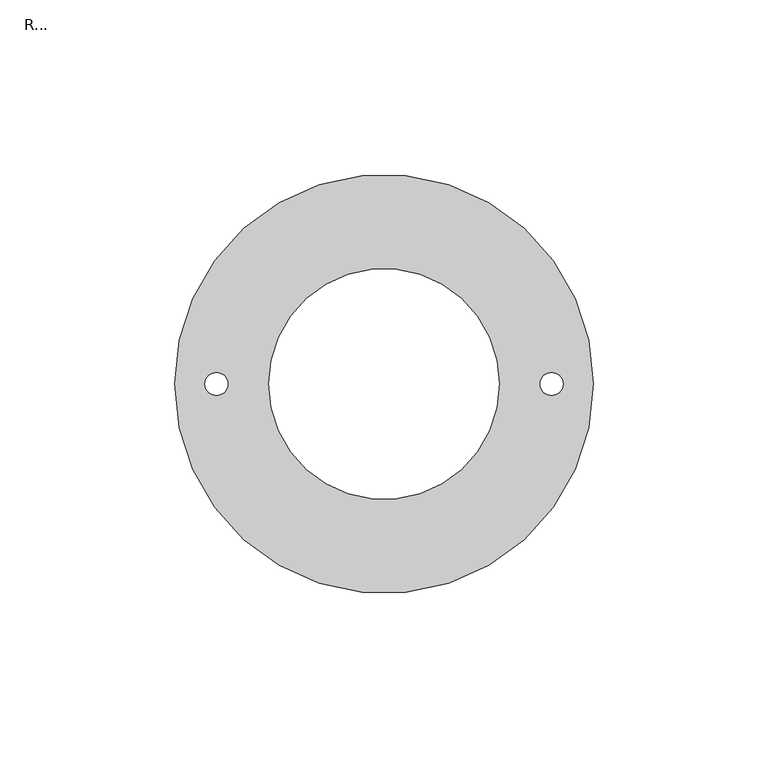
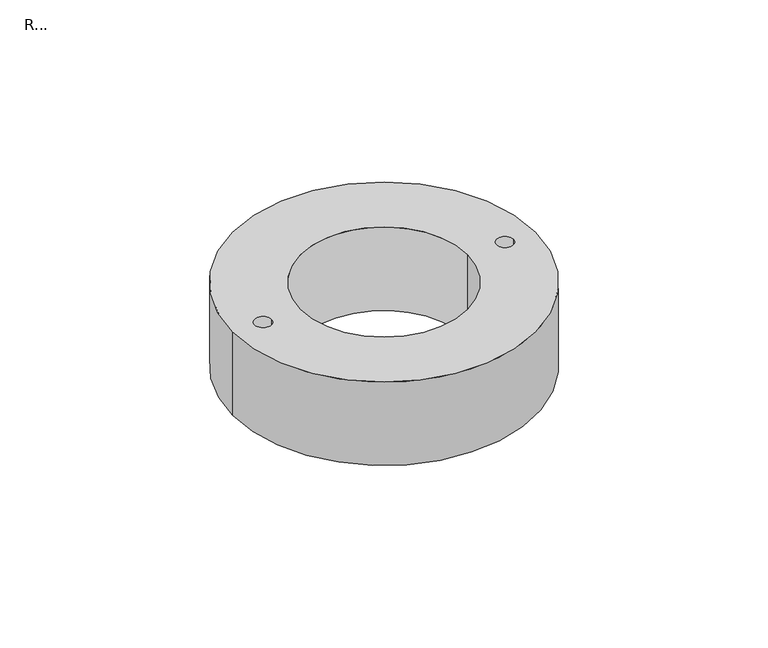
"""IFC4 building model written with IfcOpenShell, lengths in millimetres: proxy geometry, R...."""

import ifcopenshell
import ifcopenshell.guid

model = None  # the IFC model being written
_history = None  # IfcOwnerHistory: only IFC2X3 demands one
_inside = {}  # id of a spatial element -> (the spatial element, [elements in it])
_under = {}  # id of a project, library or spatial element -> (it, [spatial elements below it])
_declared = {}  # id of a project -> (the project, [libraries it declares])
_typed = {}  # id of a type object -> (the type object, [elements of that type])
_made_of = {}  # id of a material, layer set ... -> (it, [elements and type objects made of it])


def new_model(schema):
    """Start an empty IFC model of exactly this schema.

    Asked for "IFC4X3", IfcOpenShell would pick the latest addendum, in which some entities
    have other attributes; the version numbers below select the first issue.
    IFC2X3 requires an IfcOwnerHistory on every rooted entity: one is made here for all.
    """
    global model, _history
    if schema == "IFC4X3":
        model = ifcopenshell.file(schema_version=(4, 3, 0, 0))
    else:
        model = ifcopenshell.file(schema=schema)
    _inside.clear()
    _under.clear()
    _declared.clear()
    _typed.clear()
    _made_of.clear()
    _history = None
    if model.schema == "IFC2X3":
        org = make("IfcOrganization", Name="unknown")
        user = make(
            "IfcPersonAndOrganization",
            ThePerson=make("IfcPerson", FamilyName="unknown"),
            TheOrganization=org,
        )
        app = make(
            "IfcApplication",
            ApplicationDeveloper=org,
            Version="unknown",
            ApplicationFullName="unknown",
            ApplicationIdentifier="unknown",
        )
        _history = make(
            "IfcOwnerHistory",
            OwningUser=user,
            OwningApplication=app,
            ChangeAction="ADDED",
            CreationDate=0,
        )
    return model


def make(cls, **values):
    """One entity of the class cls with the attributes given. An attribute that is None is left unset."""
    return model.create_entity(
        cls, **{name: value for name, value in values.items() if value is not None}
    )


def rooted(cls, **values):
    """An entity with a GlobalId (a new one), such as an element, a storey or a relation."""
    return make(cls, GlobalId=ifcopenshell.guid.new(), OwnerHistory=_history, **values)


def si_unit(unit_type, name, prefix=None):
    """IfcSIUnit, for example si_unit("LENGTHUNIT", "METRE", prefix="MILLI")."""
    return make("IfcSIUnit", UnitType=unit_type, Prefix=prefix, Name=name)


def assignment(units):
    """IfcUnitAssignment: the units of a project."""
    return None if units is None else make("IfcUnitAssignment", Units=units)


def point(xyz):
    """IfcCartesianPoint."""
    return None if xyz is None else make("IfcCartesianPoint", Coordinates=xyz)


def direction(xyz):
    """IfcDirection."""
    return None if xyz is None else make("IfcDirection", DirectionRatios=xyz)


def frame(location, z_axis=None, x_axis=None):
    """IfcAxis2Placement3D, a coordinate frame: its origin and axes. An axis left out is left unset."""
    return make(
        "IfcAxis2Placement3D",
        Location=point(location),
        Axis=direction(z_axis),
        RefDirection=direction(x_axis),
    )


def origin():
    """The frame at (0, 0, 0) with its axes left unset."""
    return frame((0.0, 0.0, 0.0))


def place(relative_to, where):
    """IfcLocalPlacement: puts the frame where relative to a parent placement (None: the world)."""
    return make(
        "IfcLocalPlacement", PlacementRelTo=relative_to, RelativePlacement=where
    )


def context(
    kind, dimensions, precision=None, world=None, true_north=None, identifier=None
):
    """IfcGeometricRepresentationContext, for example the 3D "Model" context."""
    return make(
        "IfcGeometricRepresentationContext",
        ContextIdentifier=identifier,
        ContextType=kind,
        CoordinateSpaceDimension=dimensions,
        Precision=precision,
        WorldCoordinateSystem=world,
        TrueNorth=true_north,
    )


def project(units=None, contexts=None):
    """IfcProject with its units and contexts."""
    return rooted(
        "IfcProject",
        Name="project",
        RepresentationContexts=contexts,
        UnitsInContext=assignment(units),
    )


def spatial(cls, under=None, at=None, **own):
    """A site, building, storey or space (cls), placed at a placement, below another one or the project."""
    s = rooted(cls, ObjectPlacement=at, **own)
    if under is not None:
        _under.setdefault(under.id(), (under, []))[1].append(s)
    return s


def polyline(points):
    """IfcPolyline through the points."""
    return make("IfcPolyline", Points=[point(p) for p in points])


def circle_curve(where, radius):
    """IfcCircle in the frame where."""
    return make("IfcCircle", Position=where, Radius=radius)


def shape(context_of_items, identifier, shape_type, items):
    """IfcShapeRepresentation: the items that make up one representation, for example the "Body"."""
    return make(
        "IfcShapeRepresentation",
        ContextOfItems=context_of_items,
        RepresentationIdentifier=identifier,
        RepresentationType=shape_type,
        Items=items,
    )


def source(mapping_origin, context_of_items, identifier, shape_type, items):
    """IfcRepresentationMap: a shape defined once, which mapped items show again and again."""
    return make(
        "IfcRepresentationMap",
        MappingOrigin=mapping_origin,
        MappedRepresentation=shape(context_of_items, identifier, shape_type, items),
    )


def transform(
    local_origin,
    x_axis=None,
    y_axis=None,
    z_axis=None,
    scale=None,
    scale2=None,
    scale3=None,
    uniform=True,
):
    """IfcCartesianTransformationOperator3D, or its non-uniform kind. x_axis, y_axis, z_axis: its Axis1, 2, 3."""
    if uniform:
        return make(
            "IfcCartesianTransformationOperator3D",
            Axis1=direction(x_axis),
            Axis2=direction(y_axis),
            LocalOrigin=point(local_origin),
            Scale=scale,
            Axis3=direction(z_axis),
        )
    return make(
        "IfcCartesianTransformationOperator3DnonUniform",
        Axis1=direction(x_axis),
        Axis2=direction(y_axis),
        LocalOrigin=point(local_origin),
        Scale=scale,
        Axis3=direction(z_axis),
        Scale2=scale2,
        Scale3=scale3,
    )


def mapped(mapping_source, mapping_target):
    """IfcMappedItem: shows the shape of a source again, moved by a transform."""
    return make(
        "IfcMappedItem", MappingSource=mapping_source, MappingTarget=mapping_target
    )


def made_of(thing, what):
    """Note that an element or type object is made of a material, layer set ...; save() writes the relation."""
    if what is not None:
        _made_of.setdefault(what.id(), (what, []))[1].append(thing)
    return thing


def element(
    cls,
    number,
    at=None,
    inside=None,
    cuts=None,
    type_object=None,
    material=None,
    context=None,
    identifier="Body",
    shape_type=None,
    held_by="IfcProductDefinitionShape",
    body=None,
    shapes=None,
    **own,
):
    """One element of the class cls, such as IfcWall. Its Tag is "e" and its number.

    at: its placement. inside: the storey or other place that contains it. cuts: it is an
    opening in that element (IfcRelVoidsElement). A single representation is given by context,
    identifier, shape_type and body (its items); several are given by shapes. held_by: the class
    of the entity that holds the representations. save() writes the other relations.
    """
    e = rooted(cls, Tag="e%d" % number, ObjectPlacement=at, **own)
    if body is not None:
        shapes = [shape(context, identifier, shape_type, body)]
    if shapes is not None:
        e.Representation = make(held_by, Representations=shapes)
    if inside is not None:
        _inside.setdefault(inside.id(), (inside, []))[1].append(e)
    if cuts is not None:
        rooted(
            "IfcRelVoidsElement", RelatingBuildingElement=cuts, RelatedOpeningElement=e
        )
    if type_object is not None:
        _typed.setdefault(type_object.id(), (type_object, []))[1].append(e)
    return made_of(e, material)


def aggregate(whole, parts):
    """IfcRelAggregates: a whole, such as a stair, and the parts it consists of."""
    return rooted("IfcRelAggregates", RelatingObject=whole, RelatedObjects=parts)


def save(model, path):
    """Write the relations noted so far, then the file.

    IfcRelAggregates (storeys below a building ...), IfcRelContainedInSpatialStructure (elements
    in a storey), IfcRelDefinesByType, IfcRelAssociatesMaterial and IfcRelDeclares: one each for
    every whole, place, type object, material and project.
    """
    for whole, parts in _under.values():
        aggregate(whole, parts)
    for where, things in _inside.values():
        rooted(
            "IfcRelContainedInSpatialStructure",
            RelatedElements=things,
            RelatingStructure=where,
        )
    for kind, things in _typed.values():
        rooted("IfcRelDefinesByType", RelatedObjects=things, RelatingType=kind)
    for what, things in _made_of.values():
        rooted("IfcRelAssociatesMaterial", RelatedObjects=things, RelatingMaterial=what)
    for by, libraries in _declared.values():
        rooted("IfcRelDeclares", RelatingContext=by, RelatedDefinitions=libraries)
    model.write(path)


def plane_surface(at):
    """IfcPlane: the flat surface through the origin of the frame at, square to its z axis."""
    return make("IfcPlane", Position=at)


def cylinder_surface(at, radius):
    """IfcCylindricalSurface: all points at the distance radius from the z axis of the frame at."""
    return make("IfcCylindricalSurface", Position=at, Radius=radius)


def revolved_surface(curve, axis_point, axis_direction):
    """IfcSurfaceOfRevolution: the curve turned about the line through axis_point along axis_direction."""
    return make(
        "IfcSurfaceOfRevolution",
        SweptCurve=make("IfcArbitraryOpenProfileDef", ProfileType="CURVE", Curve=curve),
        AxisPosition=make("IfcAxis1Placement", Location=point(axis_point), Axis=direction(axis_direction)),
    )


def advanced_brep(points, edges, surfaces, faces):
    """IfcAdvancedBrep: a solid bounded by faces that lie on surfaces and meet in shared edges.

    An edge is (start, end): straight between two places in points (the first is 0);
    or (start, end, curve); or (start, end, curve, False) where it runs against its curve.
    A face is (place in surfaces, loops), or (place, loops, False) where it looks against
    its surface's normal. A loop lists edges by number (the first is 1), with a minus sign
    where the edge is run from its end to its start. The first loop is the outer one.
    """
    corners = [point(p) for p in points]
    vertices = [make("IfcVertexPoint", VertexGeometry=c) for c in corners]
    made = []
    for start, end, *more in edges:
        made.append(
            make(
                "IfcEdgeCurve",
                EdgeStart=vertices[start],
                EdgeEnd=vertices[end],
                EdgeGeometry=more[0] if more else make("IfcPolyline", Points=[corners[start], corners[end]]),
                SameSense=more[1] if len(more) > 1 else True,
            )
        )
    hull = []
    for where, loops, *sense in faces:
        bounds = []
        for j, loop in enumerate(loops):
            ring = [make("IfcOrientedEdge", EdgeElement=made[abs(k) - 1], Orientation=k > 0) for k in loop]
            bounds.append(
                make(
                    "IfcFaceOuterBound" if j == 0 else "IfcFaceBound",
                    Bound=make("IfcEdgeLoop", EdgeList=ring),
                    Orientation=True,
                )
            )
        hull.append(make("IfcAdvancedFace", Bounds=bounds, FaceSurface=surfaces[where], SameSense=sense[0] if sense else True))
    return make("IfcAdvancedBrep", Outer=make("IfcClosedShell", CfsFaces=hull))


def r_3096dbed(model_context):
    return source(origin(), model_context, "Body", "AdvancedBrep", [
        advanced_brep(
        [(-60.0, 0.0, 2900.0), (60.0, 0.0, 2900.0), (-33.0, 0.0, 2900.0), (33.0, 0.0, 2900.0), (-51.3, 0.0, 2900.0), (-44.7, 0.0, 2900.0), (44.7, 0.0, 2900.0), (51.3, 0.0, 2900.0), (-60.0, 0.0, 2865.0), (60.0, 0.0, 2865.0), (-33.0, 0.0, 2865.0), (33.0, 0.0, 2865.0), (-41.5, 0.0, 2865.0), (-54.5, 0.0, 2865.0), (54.5, 0.0, 2865.0), (41.5, 0.0, 2865.0), (-44.7, 0.0, 2873.5), (-51.3, 0.0, 2873.5), (-54.5, 0.0, 2873.5), (-41.5, 0.0, 2873.5), (51.3, 0.0, 2873.5), (44.7, 0.0, 2873.5), (41.5, 0.0, 2873.5), (54.5, 0.0, 2873.5)],
        [
            (0, 1, circle_curve(frame((0.0, 0.0, 2900.0), z_axis=(0.0, 0.0, 1.0), x_axis=(1.0, 0.0, 0.0)), 60.0)),
            (1, 0, circle_curve(frame((0.0, 0.0, 2900.0), z_axis=(0.0, 0.0, 1.0), x_axis=(1.0, 0.0, 0.0)), 60.0)),
            (2, 3, circle_curve(frame((0.0, 0.0, 2900.0), z_axis=(0.0, 0.0, -1.0), x_axis=(1.0, 0.0, 0.0)), 33.0)),
            (3, 2, circle_curve(frame((0.0, 0.0, 2900.0), z_axis=(0.0, 0.0, -1.0), x_axis=(1.0, 0.0, 0.0)), 33.0)),
            (4, 5, circle_curve(frame((-48.0, 0.0, 2900.0), z_axis=(0.0, 0.0, -1.0), x_axis=(-1.0, 0.0, 0.0)), 3.3)),
            (5, 4, circle_curve(frame((-48.0, 0.0, 2900.0), z_axis=(0.0, 0.0, -1.0), x_axis=(-1.0, 0.0, 0.0)), 3.3)),
            (6, 7, circle_curve(frame((48.0, 0.0, 2900.0), z_axis=(0.0, 0.0, -1.0), x_axis=(-1.0, 0.0, 0.0)), 3.3)),
            (7, 6, circle_curve(frame((48.0, 0.0, 2900.0), z_axis=(0.0, 0.0, -1.0), x_axis=(-1.0, 0.0, 0.0)), 3.3)),
            (8, 9, circle_curve(frame((0.0, 0.0, 2865.0), z_axis=(0.0, 0.0, -1.0), x_axis=(1.0, 0.0, 0.0)), 60.0)),
            (9, 8, circle_curve(frame((0.0, 0.0, 2865.0), z_axis=(0.0, 0.0, -1.0), x_axis=(1.0, 0.0, 0.0)), 60.0)),
            (10, 11, circle_curve(frame((0.0, 0.0, 2865.0), z_axis=(0.0, 0.0, 1.0), x_axis=(1.0, 0.0, 0.0)), 33.0)),
            (11, 10, circle_curve(frame((0.0, 0.0, 2865.0), z_axis=(0.0, 0.0, 1.0), x_axis=(1.0, 0.0, 0.0)), 33.0)),
            (12, 13, circle_curve(frame((-48.0, 0.0, 2865.0), z_axis=(0.0, 0.0, 1.0), x_axis=(-1.0, 0.0, 0.0)), 6.5)),
            (13, 12, circle_curve(frame((-48.0, 0.0, 2865.0), z_axis=(0.0, 0.0, 1.0), x_axis=(-1.0, 0.0, 0.0)), 6.5)),
            (14, 15, circle_curve(frame((48.0, 0.0, 2865.0), z_axis=(0.0, 0.0, 1.0), x_axis=(-1.0, 0.0, 0.0)), 6.5)),
            (15, 14, circle_curve(frame((48.0, 0.0, 2865.0), z_axis=(0.0, 0.0, 1.0), x_axis=(-1.0, 0.0, 0.0)), 6.5)),
            (2, 10),
            (11, 3),
            (0, 8),
            (9, 1),
            (16, 5),
            (4, 17),
            (17, 16, circle_curve(frame((-48.0, 0.0, 2873.5), z_axis=(0.0, 0.0, -1.0), x_axis=(-1.0, 0.0, 0.0)), 3.3)),
            (16, 17, circle_curve(frame((-48.0, 0.0, 2873.5), z_axis=(0.0, 0.0, -1.0), x_axis=(-1.0, 0.0, 0.0)), 3.3)),
            (17, 18),
            (18, 19, circle_curve(frame((-48.0, 0.0, 2873.5), z_axis=(0.0, 0.0, -1.0), x_axis=(-1.0, 0.0, 0.0)), 6.5)),
            (19, 16),
            (19, 18, circle_curve(frame((-48.0, 0.0, 2873.5), z_axis=(0.0, 0.0, -1.0), x_axis=(-1.0, 0.0, 0.0)), 6.5)),
            (18, 13),
            (12, 19),
            (20, 7),
            (6, 21),
            (21, 20, circle_curve(frame((48.0, 0.0, 2873.5), z_axis=(0.0, 0.0, -1.0), x_axis=(-1.0, 0.0, 0.0)), 3.3)),
            (20, 21, circle_curve(frame((48.0, 0.0, 2873.5), z_axis=(0.0, 0.0, -1.0), x_axis=(-1.0, 0.0, 0.0)), 3.3)),
            (21, 22),
            (22, 23, circle_curve(frame((48.0, 0.0, 2873.5), z_axis=(0.0, 0.0, -1.0), x_axis=(-1.0, 0.0, 0.0)), 6.5)),
            (23, 20),
            (23, 22, circle_curve(frame((48.0, 0.0, 2873.5), z_axis=(0.0, 0.0, -1.0), x_axis=(-1.0, 0.0, 0.0)), 6.5)),
            (22, 15),
            (14, 23),
        ],
        [
            plane_surface(frame((33.0, 0.0, 2900.0), z_axis=(0.0, 0.0, 1.0), x_axis=(0.0, -1.0, 0.0))),
            plane_surface(frame((33.0, 0.0, 2865.0), z_axis=(0.0, 0.0, -1.0), x_axis=(0.0, 1.0, 0.0))),
            revolved_surface(polyline([(33.0, 0.0, 2865.0), (33.0, 0.0, 2900.0)]), (0.0, 0.0, 2865.0), (0.0, 0.0, -1.0)),
            cylinder_surface(frame((0.0, 0.0, 30.0), z_axis=(0.0, 0.0, 1.0), x_axis=(1.0, 0.0, 0.0)), 60.0),
            revolved_surface(polyline([(-51.3, 0.0, 2873.5), (-51.3, 0.0, 2900.0)]), (-48.0, 0.0, 2830.0), (0.0, 0.0, -1.0)),
            plane_surface(frame((-48.0, 0.0, 2873.5), z_axis=(0.0, 0.0, -1.0), x_axis=(-1.0, 0.0, 0.0))),
            revolved_surface(polyline([(-54.5, 0.0, 2865.0), (-54.5, 0.0, 2873.5)]), (-48.0, 0.0, 2830.0), (0.0, 0.0, -1.0)),
            revolved_surface(polyline([(44.7, 0.0, 2873.5), (44.7, 0.0, 2900.0)]), (48.0, 0.0, 75.0), (0.0, 0.0, -1.0)),
            plane_surface(frame((48.0, 0.0, 2873.5), z_axis=(0.0, 0.0, -1.0), x_axis=(-1.0, 0.0, 0.0))),
            revolved_surface(polyline([(41.5, 0.0, 2865.0), (41.5, 0.0, 2873.5)]), (48.0, 0.0, 75.0), (0.0, 0.0, -1.0)),
        ],
        [
            (0, [[1, 2], [3, 4], [5, 6], [7, 8]]),
            (1, [[9, 10], [11, 12], [13, 14], [15, 16]]),
            (2, [[-3, 17, -12, 18]]),
            (2, [[-4, -18, -11, -17]]),
            (3, [[-1, 19, -10, 20]]),
            (3, [[-2, -20, -9, -19]]),
            (4, [[21, -5, 22, 23]]),
            (4, [[-21, 24, -22, -6]]),
            (5, [[-23, 25, 26, 27]]),
            (5, [[-24, -27, 28, -25]]),
            (6, [[-26, 29, -13, 30]]),
            (6, [[-28, -30, -14, -29]]),
            (7, [[31, -7, 32, 33]]),
            (7, [[-31, 34, -32, -8]]),
            (8, [[-33, 35, 36, 37]]),
            (8, [[-34, -37, 38, -35]]),
            (9, [[-36, 39, -15, 40]]),
            (9, [[-38, -40, -16, -39]]),
        ],
    ),
    ])


if __name__ == "__main__":
    model = new_model("IFC4")
    model_context = context("Model", 3, world=origin())
    ifc_project = project(units=[si_unit("LENGTHUNIT", "METRE", prefix="MILLI")], contexts=[model_context])
    site = spatial("IfcSite", under=ifc_project)
    building = spatial("IfcBuilding", under=site)
    placement = place(None, origin())
    r_shape = r_3096dbed(model_context)
    element("IfcBuildingElementProxy", 1, Name="R...", ObjectType="R...", at=placement, inside=building, context=model_context, shape_type="MappedRepresentation", body=[
        mapped(r_shape, transform((0.0, 0.0, 0.0), x_axis=(1.0, 0.0, 0.0), y_axis=(0.0, 1.0, 0.0), z_axis=(0.0, 0.0, 1.0))),
    ])
    save(model, "model.ifc")
